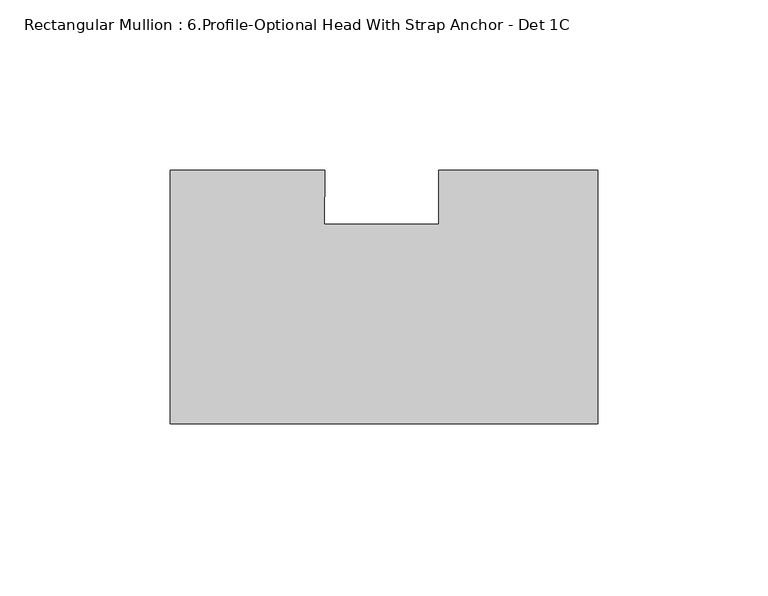
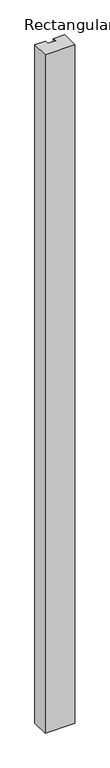
"""IFC4 building model written with IfcOpenShell, lengths in millimetres: member geometry, Rectangular Mullion : 6.Profile-Optional Head With Strap Anchor - Det 1C."""

from ifc_helpers import new_model, si_unit, frame, origin, place, context, project, spatial, polyline, outline, extrude, source, transform, mapped, element, save


def rectangular_mullion_6_profile_optional_head_with_strap_a87d48ad(model_context):
    return source(origin(), model_context, "Body", "SweptSolid", [
        extrude(outline(polyline([(-125.7808, -39.6875), (-125.7808, 34.925), (-80.2810629, 34.925), (-80.4751121, 19.05), (-46.8497888, 19.05), (-46.8497888, 34.925), (0.0, 34.925), (0.0, -39.6875), (-125.7808, -39.6875)])), frame((0.0, 0.0, -3048.0), z_axis=(0.0, 0.0, 1.0), x_axis=(1.0, 0.0, 0.0)), (0.0, 0.0, 1.0), 3048.0),
    ])


if __name__ == "__main__":
    model = new_model("IFC4")
    model_context = context("Model", 3, world=origin())
    ifc_project = project(units=[si_unit("LENGTHUNIT", "METRE", prefix="MILLI")], contexts=[model_context])
    site = spatial("IfcSite", under=ifc_project)
    building = spatial("IfcBuilding", under=site)
    placement = place(None, origin())
    rectangular_mullion_6_profile_optional_head_with_strap_shape = rectangular_mullion_6_profile_optional_head_with_strap_a87d48ad(model_context)
    element("IfcMember", 1, ObjectType="Rectangular Mullion : 6.Profile-Optional Head With Strap Anchor - Det 1C", at=placement, inside=building, context=model_context, shape_type="MappedRepresentation", body=[
        mapped(rectangular_mullion_6_profile_optional_head_with_strap_shape, transform((0.0, 0.0, 0.0), x_axis=(1.0, 0.0, 0.0), y_axis=(0.0, 1.0, 0.0), z_axis=(0.0, 0.0, 1.0))),
    ])
    save(model, "model.ifc")
